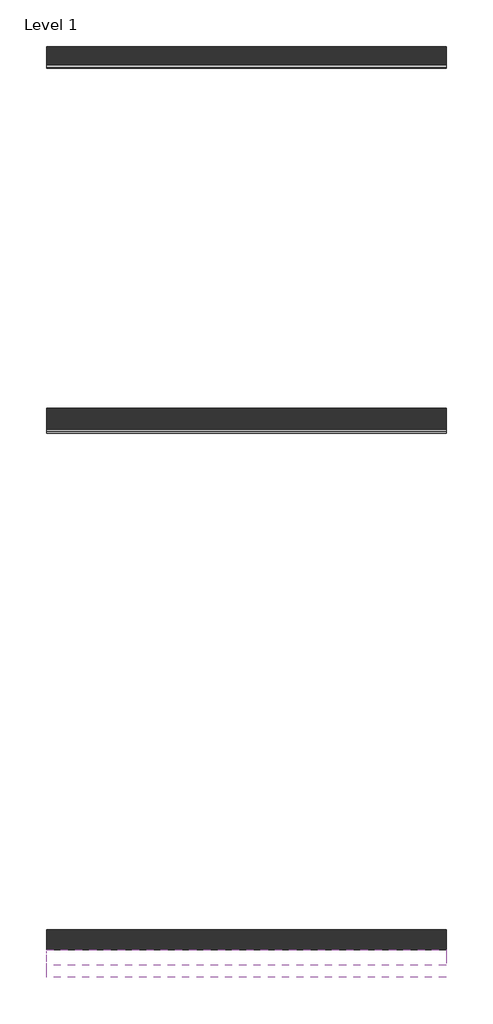
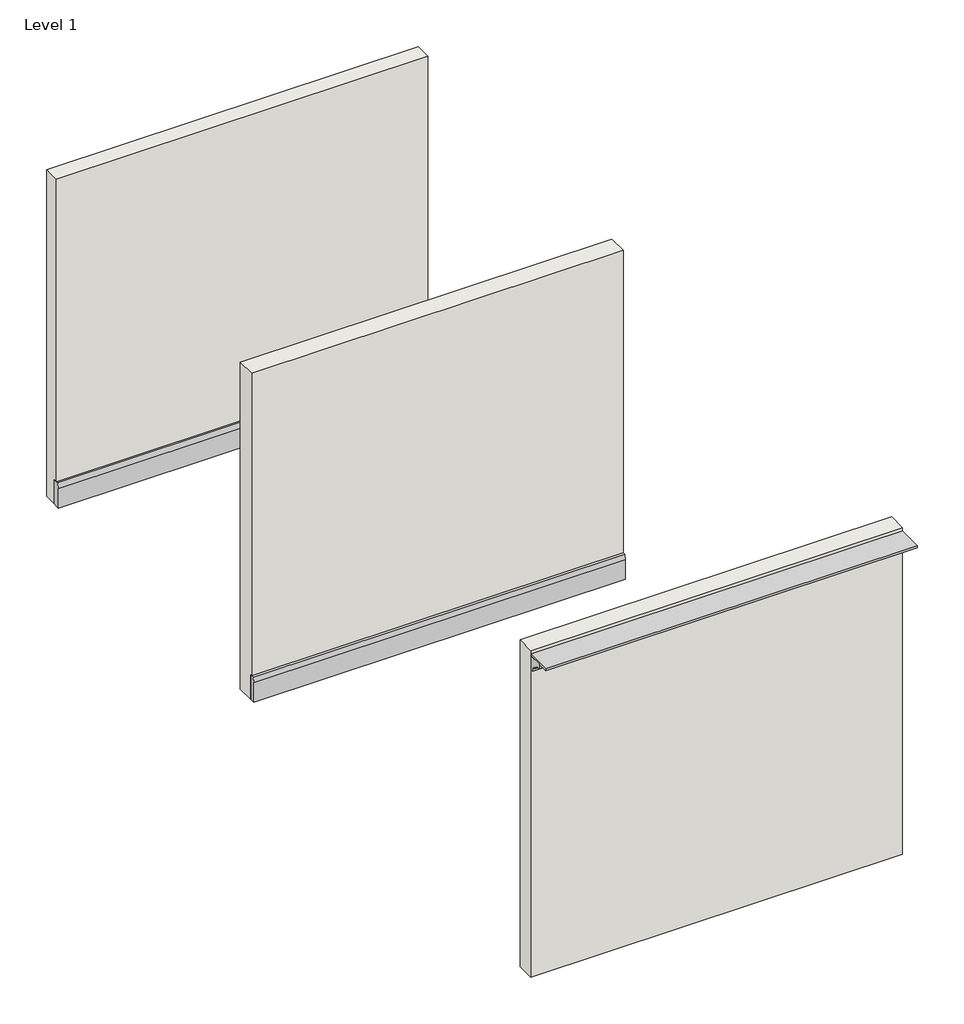
# One storey: 4 proxies, 3 walls.
"""IFC4 building model written with IfcOpenShell, lengths in millimetres."""

from ifc_helpers import new_model, si_unit, point, frame, frame_2d, origin, origin_with_axes, place, context, project, spatial, polyline, circle_curve, trimmed, segment, composite_curve, outline, extrude, faceted_brep, element, save

model = new_model("IFC4")

# Units and contexts
model_context = context("Model", 3, world=origin())
ifc_project = project(units=[si_unit("LENGTHUNIT", "METRE", prefix="MILLI")], contexts=[model_context])

# Site, building, storey
site = spatial("IfcSite", under=ifc_project)
building = spatial("IfcBuilding", under=site)
storey = spatial("IfcBuildingStorey", under=building, Name="Level 1", Elevation=0.0)

# Proxies
placement = place(None, origin())
element("IfcBuildingElementProxy", 1, Name="Wall Sweeps", at=placement, inside=storey, context=model_context, shape_type="SweptSolid", body=[
    extrude(outline(composite_curve([segment(polyline([(11735.967095, 6000.75), (11989.967095, 6000.75), (11989.967095, 5746.75), (11928.0945785, 5746.75), (11928.0945785, 5830.8875), (11873.888972, 5830.8875)]), True, "CONTINUOUS"), segment(trimmed(circle_curve(frame_2d((11825.8621347, 5827.3453574)), 48.1572827), [point((11873.888972, 5830.8875))], [point((11841.7804647, 5872.795667))], True, "CARTESIAN"), True, "CONTINUOUS"), segment(trimmed(circle_curve(frame_2d((11872.5902816, 5960.7644249)), 93.2080854), [point((11841.7804647, 5872.795667))], [point((11791.5562958, 5914.7075))], False, "CARTESIAN"), True, "CONTINUOUS"), segment(polyline([(11791.5562958, 5914.7075), (11735.967095, 5914.7075), (11735.967095, 6000.75)]), True, "CONTINUOUS")], self_intersect=False)), frame((-11665.505314, 0.0, 0.0), z_axis=(1.0, 0.0, 0.0), x_axis=(0.0, 1.0, 0.0)), (0.0, 0.0, 1.0), 6553.2),
])
element("IfcBuildingElementProxy", 2, Name="Wall Sweeps", at=placement, inside=storey, context=model_context, shape_type="SweptSolid", body=[
    extrude(outline(polyline([(-11665.505314, 11532.767095), (-11665.505314, 11989.967095), (-5112.305314, 11989.967095), (-5112.305314, 11532.767095), (-11665.505314, 11532.767095)])), frame((0.0, 0.0, 6000.75), z_axis=(0.0, 0.0, 1.0), x_axis=(1.0, 0.0, 0.0)), (0.0, 0.0, 1.0), 31.75),
])
element("IfcBuildingElementProxy", 3, Name="Wall Sweeps", at=placement, inside=storey, context=model_context, shape_type="Brep", body=[
    faceted_brep([(-11665.505314, 26566.392095, 457.2), (-11665.505314, 26566.392095, 0.0), (-11665.505314, 26423.517095, 0.0), (-11665.505314, 26423.517095, 361.95), (-11665.505314, 26443.7631075, 457.2), (-11665.505314, 26480.667095, 457.2), (-5112.305314, 26566.392095, 457.2), (-5112.305314, 26480.667095, 457.2), (-5112.305314, 26443.7631075, 457.2), (-5112.305314, 26423.517095, 361.95), (-5112.305314, 26423.517095, 0.0), (-5112.305314, 26566.392095, 0.0)], [[[0, 1, 2, 3, 4, 5]], [[6, 7, 8, 9, 10, 11]], [[1, 0, 6, 11]], [[2, 1, 11, 10]], [[3, 2, 10, 9]], [[0, 5, 4, 8, 7, 6]], [[4, 3, 9, 8]]]),
])
element("IfcBuildingElementProxy", 4, Name="Wall Sweeps", at=placement, inside=storey, context=model_context, shape_type="Brep", body=[
    faceted_brep([(-11665.505314, 20541.829595, 457.2), (-11665.505314, 20541.829595, 0.0), (-11665.505314, 20449.754595, 0.0), (-11665.505314, 20449.754595, 361.95), (-11665.505314, 20470.0006075, 457.2), (-11665.505314, 20516.429595, 457.2), (-5112.305314, 20541.829595, 457.2), (-5112.305314, 20516.429595, 457.2), (-5112.305314, 20470.0006075, 457.2), (-5112.305314, 20449.754595, 361.95), (-5112.305314, 20449.754595, 0.0), (-5112.305314, 20541.829595, 0.0)], [[[0, 1, 2, 3, 4, 5]], [[6, 7, 8, 9, 10, 11]], [[1, 0, 6, 11]], [[2, 1, 11, 10]], [[3, 2, 10, 9]], [[4, 3, 9, 8]], [[0, 5, 4, 8, 7, 6]]]),
])

# Walls
element("IfcWall", 5, at=placement, inside=storey, context=model_context, shape_type="SweptSolid", body=[
    extrude(outline(polyline([(-5112.305314, 11989.967095), (-11665.505314, 11989.967095), (-11665.505314, 12316.992095), (-5112.305314, 12316.992095), (-5112.305314, 11989.967095)])), origin_with_axes(), (0.0, 0.0, 1.0), 6096.0),
])
element("IfcWall", 6, at=placement, inside=storey, context=model_context, shape_type="SweptSolid", body=[
    extrude(outline(polyline([(20859.329595, 6096.0), (20859.329595, 0.0), (20541.829595, 0.0), (20541.829595, 457.2), (20516.429595, 457.2), (20516.429595, 6096.0), (20859.329595, 6096.0)])), frame((-11665.505314, 0.0, 0.0), z_axis=(1.0, 0.0, 0.0), x_axis=(0.0, 1.0, 0.0)), (0.0, 0.0, 1.0), 6553.2),
])
element("IfcWall", 7, at=placement, inside=storey, context=model_context, shape_type="SweptSolid", body=[
    extrude(outline(polyline([(26782.292095, 6096.0), (26782.292095, 0.0), (26566.392095, 0.0), (26566.392095, 457.2), (26480.667095, 457.2), (26480.667095, 6096.0), (26782.292095, 6096.0)])), frame((-11665.505314, 0.0, 0.0), z_axis=(1.0, 0.0, 0.0), x_axis=(0.0, 1.0, 0.0)), (0.0, 0.0, 1.0), 6553.2),
])

save(model, "model.ifc")
